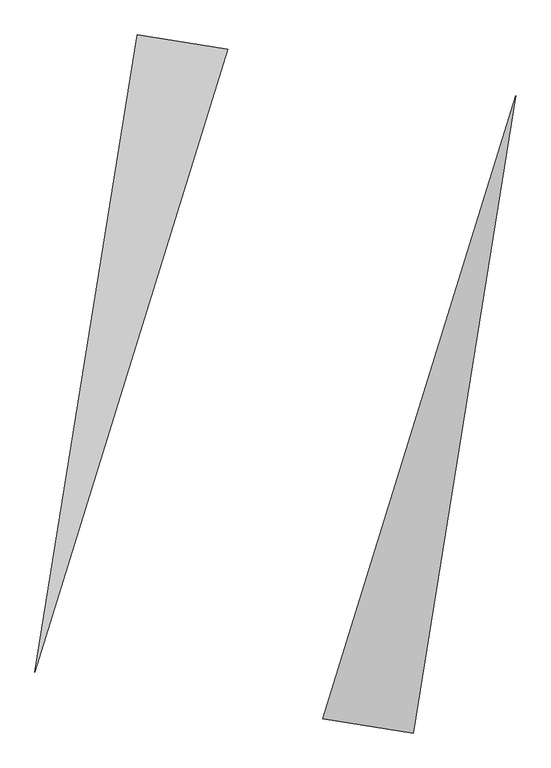
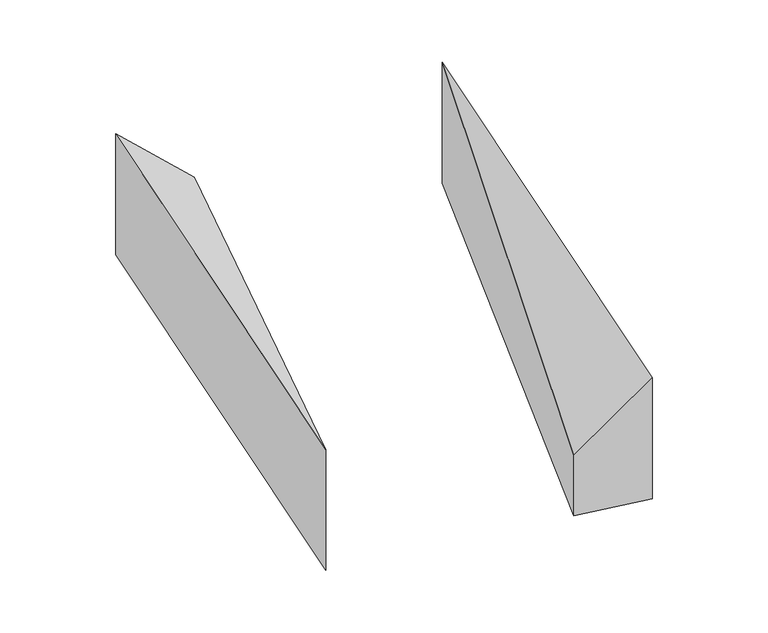
"""IFC4 building model written with IfcOpenShell, lengths in millimetres: proxy geometry."""

import ifcopenshell
import ifcopenshell.guid

model = None  # the IFC model being written
_history = None  # IfcOwnerHistory: only IFC2X3 demands one
_inside = {}  # id of a spatial element -> (the spatial element, [elements in it])
_under = {}  # id of a project, library or spatial element -> (it, [spatial elements below it])
_declared = {}  # id of a project -> (the project, [libraries it declares])
_typed = {}  # id of a type object -> (the type object, [elements of that type])
_made_of = {}  # id of a material, layer set ... -> (it, [elements and type objects made of it])


def new_model(schema):
    """Start an empty IFC model of exactly this schema.

    Asked for "IFC4X3", IfcOpenShell would pick the latest addendum, in which some entities
    have other attributes; the version numbers below select the first issue.
    IFC2X3 requires an IfcOwnerHistory on every rooted entity: one is made here for all.
    """
    global model, _history
    if schema == "IFC4X3":
        model = ifcopenshell.file(schema_version=(4, 3, 0, 0))
    else:
        model = ifcopenshell.file(schema=schema)
    _inside.clear()
    _under.clear()
    _declared.clear()
    _typed.clear()
    _made_of.clear()
    _history = None
    if model.schema == "IFC2X3":
        org = make("IfcOrganization", Name="unknown")
        user = make(
            "IfcPersonAndOrganization",
            ThePerson=make("IfcPerson", FamilyName="unknown"),
            TheOrganization=org,
        )
        app = make(
            "IfcApplication",
            ApplicationDeveloper=org,
            Version="unknown",
            ApplicationFullName="unknown",
            ApplicationIdentifier="unknown",
        )
        _history = make(
            "IfcOwnerHistory",
            OwningUser=user,
            OwningApplication=app,
            ChangeAction="ADDED",
            CreationDate=0,
        )
    return model


def make(cls, **values):
    """One entity of the class cls with the attributes given. An attribute that is None is left unset."""
    return model.create_entity(
        cls, **{name: value for name, value in values.items() if value is not None}
    )


def rooted(cls, **values):
    """An entity with a GlobalId (a new one), such as an element, a storey or a relation."""
    return make(cls, GlobalId=ifcopenshell.guid.new(), OwnerHistory=_history, **values)


def si_unit(unit_type, name, prefix=None):
    """IfcSIUnit, for example si_unit("LENGTHUNIT", "METRE", prefix="MILLI")."""
    return make("IfcSIUnit", UnitType=unit_type, Prefix=prefix, Name=name)


def assignment(units):
    """IfcUnitAssignment: the units of a project."""
    return None if units is None else make("IfcUnitAssignment", Units=units)


def point(xyz):
    """IfcCartesianPoint."""
    return None if xyz is None else make("IfcCartesianPoint", Coordinates=xyz)


def direction(xyz):
    """IfcDirection."""
    return None if xyz is None else make("IfcDirection", DirectionRatios=xyz)


def frame(location, z_axis=None, x_axis=None):
    """IfcAxis2Placement3D, a coordinate frame: its origin and axes. An axis left out is left unset."""
    return make(
        "IfcAxis2Placement3D",
        Location=point(location),
        Axis=direction(z_axis),
        RefDirection=direction(x_axis),
    )


def origin():
    """The frame at (0, 0, 0) with its axes left unset."""
    return frame((0.0, 0.0, 0.0))


def place(relative_to, where):
    """IfcLocalPlacement: puts the frame where relative to a parent placement (None: the world)."""
    return make(
        "IfcLocalPlacement", PlacementRelTo=relative_to, RelativePlacement=where
    )


def context(
    kind, dimensions, precision=None, world=None, true_north=None, identifier=None
):
    """IfcGeometricRepresentationContext, for example the 3D "Model" context."""
    return make(
        "IfcGeometricRepresentationContext",
        ContextIdentifier=identifier,
        ContextType=kind,
        CoordinateSpaceDimension=dimensions,
        Precision=precision,
        WorldCoordinateSystem=world,
        TrueNorth=true_north,
    )


def project(units=None, contexts=None):
    """IfcProject with its units and contexts."""
    return rooted(
        "IfcProject",
        Name="project",
        RepresentationContexts=contexts,
        UnitsInContext=assignment(units),
    )


def spatial(cls, under=None, at=None, **own):
    """A site, building, storey or space (cls), placed at a placement, below another one or the project."""
    s = rooted(cls, ObjectPlacement=at, **own)
    if under is not None:
        _under.setdefault(under.id(), (under, []))[1].append(s)
    return s


def faces_of(points, faces, orient=None, outer=None):
    """IfcFace entities. A face is a list of loops; a loop is a list of indices into points, from 0.

    orient and outer hold one flag for each loop. By default every Orientation is true, the
    first loop of a face is its IfcFaceOuterBound and the others are IfcFaceBound.
    """
    made = []
    for i, loops in enumerate(faces):
        bounds = []
        for j, loop in enumerate(loops):
            is_outer = j == 0 if outer is None else outer[i][j]
            bounds.append(
                make(
                    "IfcFaceOuterBound" if is_outer else "IfcFaceBound",
                    Bound=make("IfcPolyLoop", Polygon=[points[k] for k in loop]),
                    Orientation=True if orient is None else orient[i][j],
                )
            )
        made.append(make("IfcFace", Bounds=bounds))
    return made


def faceted_brep(points, faces, orient=None, outer=None, voids=None):
    """IfcFacetedBrep: a solid bounded by flat faces; with voids (closed shells), ...WithVoids."""
    shared = [point(p) for p in points]
    hull = make("IfcClosedShell", CfsFaces=faces_of(shared, faces, orient, outer))
    if voids is None:
        return make("IfcFacetedBrep", Outer=hull)
    return make(
        "IfcFacetedBrepWithVoids",
        Outer=hull,
        Voids=[
            make(cls, CfsFaces=faces_of(shared, fs, o, b)) for cls, fs, o, b in voids
        ],
    )


def shape(context_of_items, identifier, shape_type, items):
    """IfcShapeRepresentation: the items that make up one representation, for example the "Body"."""
    return make(
        "IfcShapeRepresentation",
        ContextOfItems=context_of_items,
        RepresentationIdentifier=identifier,
        RepresentationType=shape_type,
        Items=items,
    )


def source(mapping_origin, context_of_items, identifier, shape_type, items):
    """IfcRepresentationMap: a shape defined once, which mapped items show again and again."""
    return make(
        "IfcRepresentationMap",
        MappingOrigin=mapping_origin,
        MappedRepresentation=shape(context_of_items, identifier, shape_type, items),
    )


def transform(
    local_origin,
    x_axis=None,
    y_axis=None,
    z_axis=None,
    scale=None,
    scale2=None,
    scale3=None,
    uniform=True,
):
    """IfcCartesianTransformationOperator3D, or its non-uniform kind. x_axis, y_axis, z_axis: its Axis1, 2, 3."""
    if uniform:
        return make(
            "IfcCartesianTransformationOperator3D",
            Axis1=direction(x_axis),
            Axis2=direction(y_axis),
            LocalOrigin=point(local_origin),
            Scale=scale,
            Axis3=direction(z_axis),
        )
    return make(
        "IfcCartesianTransformationOperator3DnonUniform",
        Axis1=direction(x_axis),
        Axis2=direction(y_axis),
        LocalOrigin=point(local_origin),
        Scale=scale,
        Axis3=direction(z_axis),
        Scale2=scale2,
        Scale3=scale3,
    )


def mapped(mapping_source, mapping_target):
    """IfcMappedItem: shows the shape of a source again, moved by a transform."""
    return make(
        "IfcMappedItem", MappingSource=mapping_source, MappingTarget=mapping_target
    )


def made_of(thing, what):
    """Note that an element or type object is made of a material, layer set ...; save() writes the relation."""
    if what is not None:
        _made_of.setdefault(what.id(), (what, []))[1].append(thing)
    return thing


def element(
    cls,
    number,
    at=None,
    inside=None,
    cuts=None,
    type_object=None,
    material=None,
    context=None,
    identifier="Body",
    shape_type=None,
    held_by="IfcProductDefinitionShape",
    body=None,
    shapes=None,
    **own,
):
    """One element of the class cls, such as IfcWall. Its Tag is "e" and its number.

    at: its placement. inside: the storey or other place that contains it. cuts: it is an
    opening in that element (IfcRelVoidsElement). A single representation is given by context,
    identifier, shape_type and body (its items); several are given by shapes. held_by: the class
    of the entity that holds the representations. save() writes the other relations.
    """
    e = rooted(cls, Tag="e%d" % number, ObjectPlacement=at, **own)
    if body is not None:
        shapes = [shape(context, identifier, shape_type, body)]
    if shapes is not None:
        e.Representation = make(held_by, Representations=shapes)
    if inside is not None:
        _inside.setdefault(inside.id(), (inside, []))[1].append(e)
    if cuts is not None:
        rooted(
            "IfcRelVoidsElement", RelatingBuildingElement=cuts, RelatedOpeningElement=e
        )
    if type_object is not None:
        _typed.setdefault(type_object.id(), (type_object, []))[1].append(e)
    return made_of(e, material)


def aggregate(whole, parts):
    """IfcRelAggregates: a whole, such as a stair, and the parts it consists of."""
    return rooted("IfcRelAggregates", RelatingObject=whole, RelatedObjects=parts)


def save(model, path):
    """Write the relations noted so far, then the file.

    IfcRelAggregates (storeys below a building ...), IfcRelContainedInSpatialStructure (elements
    in a storey), IfcRelDefinesByType, IfcRelAssociatesMaterial and IfcRelDeclares: one each for
    every whole, place, type object, material and project.
    """
    for whole, parts in _under.values():
        aggregate(whole, parts)
    for where, things in _inside.values():
        rooted(
            "IfcRelContainedInSpatialStructure",
            RelatedElements=things,
            RelatingStructure=where,
        )
    for kind, things in _typed.values():
        rooted("IfcRelDefinesByType", RelatedObjects=things, RelatingType=kind)
    for what, things in _made_of.values():
        rooted("IfcRelAssociatesMaterial", RelatedObjects=things, RelatingMaterial=what)
    for by, libraries in _declared.values():
        rooted("IfcRelDeclares", RelatingContext=by, RelatedDefinitions=libraries)
    model.write(path)


def generic_models_e0fc5427(model_context):
    return source(origin(), model_context, "Body", "Brep", [
        faceted_brep([(-292.7491957, 2072.4478512, 0.0), (-856.0170022, 2162.7277087, 0.0), (-856.0170022, 2162.7277087, 1000.0), (-292.7491957, 2072.4478512, 500.0), (-1489.0524341, -1786.862921, 0.0), (-1489.0524341, -1786.862921, 1000.0)], [[[0, 1, 2, 3]], [[1, 4, 5, 2]], [[4, 0, 3, 5]], [[3, 2, 5]], [[0, 4, 1]]]),
        faceted_brep([(856.0170022, -2162.7277087, 0.0), (1489.0524341, 1786.862921, 0.0), (1489.0524341, 1786.862921, 1000.0), (856.0170022, -2162.7277087, 1000.0), (292.7491957, -2072.4478512, 0.0), (292.7491957, -2072.4478512, 500.0)], [[[0, 1, 2, 3]], [[1, 4, 5, 2]], [[4, 0, 3, 5]], [[2, 5, 3]], [[0, 4, 1]]]),
    ])


if __name__ == "__main__":
    model = new_model("IFC4")
    model_context = context("Model", 3, world=origin())
    ifc_project = project(units=[si_unit("LENGTHUNIT", "METRE", prefix="MILLI")], contexts=[model_context])
    site = spatial("IfcSite", under=ifc_project)
    building = spatial("IfcBuilding", under=site)
    placement = place(None, origin())
    generic_models_shape = generic_models_e0fc5427(model_context)
    element("IfcBuildingElementProxy", 1, Name="Generic Models", at=placement, inside=building, context=model_context, shape_type="MappedRepresentation", body=[
        mapped(generic_models_shape, transform((0.0, 0.0, 0.0), x_axis=(1.0, 0.0, 0.0), y_axis=(0.0, 1.0, 0.0), z_axis=(0.0, 0.0, 1.0))),
    ])
    save(model, "model.ifc")
